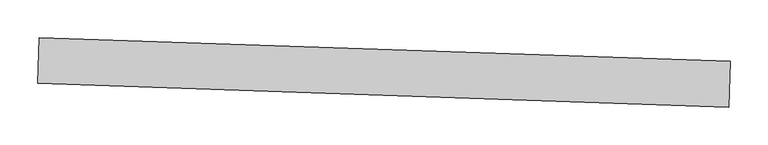
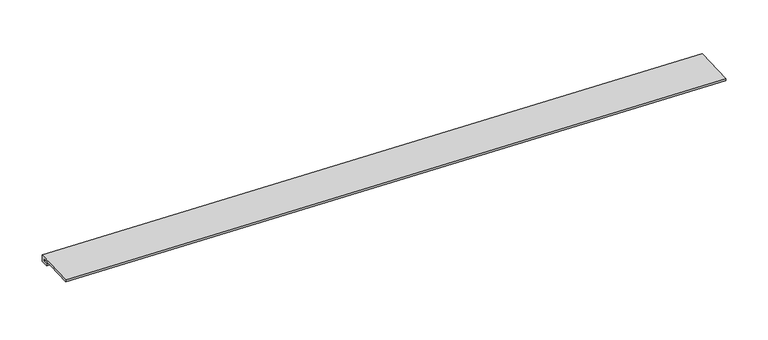
"""IFC4 building model written with IfcOpenShell, lengths in millimetres: proxy geometry."""

from ifc_helpers import new_model, si_unit, frame, origin, place, context, project, spatial, polyline, outline, extrude, source, transform, mapped, element, save


def generic_models_82284331(model_context):
    return source(origin(), model_context, "Body", "SweptSolid", [
        extrude(outline(polyline([(0.0, 0.0), (9.5659166, 0.0), (9.5659166, -60.4630867), (6.3414503, -60.4630867), (6.3414503, -3.3130867), (2.8940922, -3.3130867), (2.8940922, -11.0333116), (0.0, -11.0333116), (0.0, 0.0)])), frame((34376.7135694, -14823.5825933, 3038.2763334), z_axis=(-0.9994149475907707, 0.034201791358601595, 0.0), x_axis=(0.0, 0.0, 1.0)), (0.0, 0.0, 1.0), 914.4),
    ])


if __name__ == "__main__":
    model = new_model("IFC4")
    model_context = context("Model", 3, world=origin())
    ifc_project = project(units=[si_unit("LENGTHUNIT", "METRE", prefix="MILLI")], contexts=[model_context])
    site = spatial("IfcSite", under=ifc_project)
    building = spatial("IfcBuilding", under=site)
    placement = place(None, origin())
    generic_models_shape = generic_models_82284331(model_context)
    element("IfcBuildingElementProxy", 1, Name="Generic Models", at=placement, inside=building, context=model_context, shape_type="MappedRepresentation", body=[
        mapped(generic_models_shape, transform((0.0, 0.0, 0.0), x_axis=(1.0, 0.0, 0.0), y_axis=(0.0, 1.0, 0.0), z_axis=(0.0, 0.0, 1.0))),
    ])
    save(model, "model.ifc")
